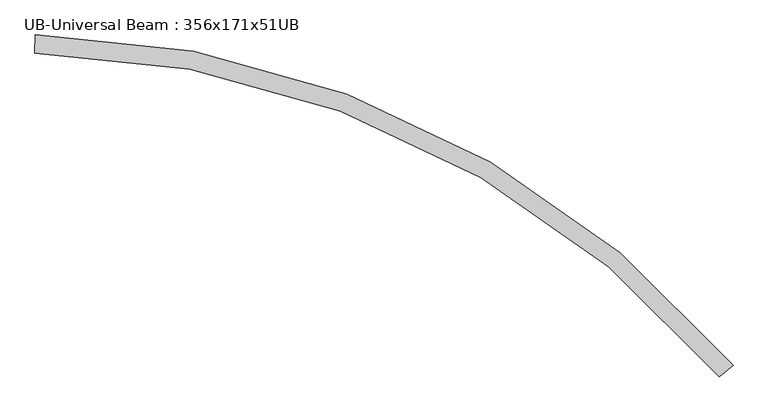
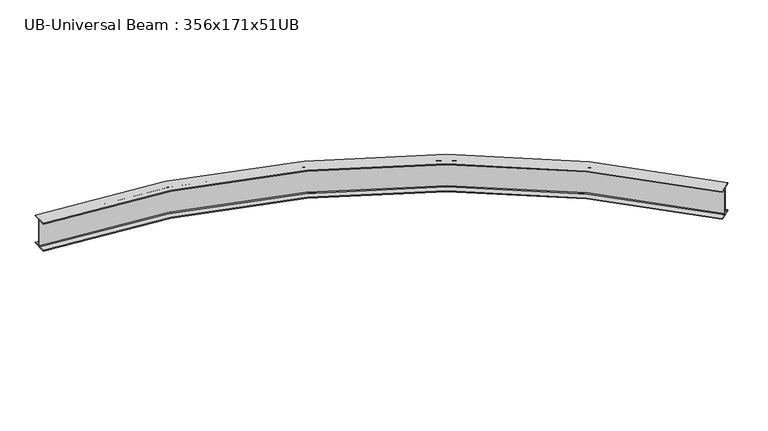
"""IFC4 building model written with IfcOpenShell, lengths in millimetres: beam geometry, UB-Universal Beam : 356x171x51UB."""

from ifc_helpers import new_model, si_unit, point, frame, origin, place, context, project, spatial, polyline, circle_curve, ellipse_curve, trimmed, source, transform, mapped, element, save
from ifc_brep_helpers import plane_surface, cylinder_surface, revolved_surface, advanced_brep


def ub_universal_beam_356x171x51ub_ac64c7a3(model_context):
    return source(origin(), model_context, "Body", "AdvancedBrep", [
        advanced_brep(
        [(6698.4237311, -3014.8858779, -166.0), (6643.6439178, -3061.3788296, -166.0), (6635.8672428, -3067.9790816, -155.8), (6635.8672428, -3067.9790816, 155.8), (6643.6439178, -3061.3788296, 166.0), (6698.4237311, -3014.8858779, 166.0), (6698.4237311, -3014.8858779, 177.5), (6567.6688531, -3125.8607033, 177.5), (6567.6688531, -3125.8607033, 166.0), (6622.4486664, -3079.3677517, 166.0), (6630.2253414, -3072.7674997, 155.8), (6630.2253414, -3072.7674997, -155.8), (6622.4486664, -3079.3677517, -166.0), (6567.6688531, -3125.8607033, -166.0), (6567.6688531, -3125.8607033, -177.5), (6698.4237311, -3014.8858779, -177.5), (156.1140991, 84.3628938, -166.0), (156.1140991, 84.3628938, -177.5), (153.0667135, -87.1100295, -177.5), (153.0667135, -87.1100295, -166.0), (154.343417, -15.2713733, -166.0), (154.5246609, -5.0729837, -155.8), (154.5246609, -5.0729837, 155.8), (154.343417, -15.2713733, 166.0), (153.0667135, -87.1100295, 166.0), (153.0667135, -87.1100295, 177.5), (156.1140991, 84.3628938, 177.5), (156.1140991, 84.3628938, 166.0), (154.8373955, 12.5242376, 166.0), (154.6561516, 2.325848, 155.8), (154.6561516, 2.325848, -155.8), (154.8373955, 12.5242376, -166.0)],
        [
            (0, 1),
            (1, 2, circle_curve(frame((6643.6439178, -3061.3788296, -155.8), z_axis=(-0.6470835298129307, 0.7624191140342941, 0.0), x_axis=(-0.7624191140342941, -0.6470835298129307, 0.0)), 10.2)),
            (2, 3),
            (3, 4, circle_curve(frame((6643.6439178, -3061.3788296, 155.8), z_axis=(-0.6470835298129307, 0.7624191140342941, 0.0), x_axis=(-0.7624191140342941, -0.6470835298129307, 0.0)), 10.2)),
            (4, 5),
            (5, 6),
            (6, 7),
            (7, 8),
            (8, 9),
            (9, 10, circle_curve(frame((6622.4486664, -3079.3677517, 155.8), z_axis=(-0.6470835298129307, 0.7624191140342941, 0.0), x_axis=(-0.7624191140342941, -0.6470835298129307, 0.0)), 10.2)),
            (10, 11),
            (11, 12, circle_curve(frame((6622.4486664, -3079.3677517, -155.8), z_axis=(-0.6470835298129307, 0.7624191140342941, 0.0), x_axis=(-0.7624191140342941, -0.6470835298129307, 0.0)), 10.2)),
            (12, 13),
            (13, 14),
            (14, 15),
            (15, 0),
            (16, 17),
            (17, 18),
            (18, 19),
            (19, 20),
            (20, 21, circle_curve(frame((154.343417, -15.2713733, -155.8), z_axis=(0.9998421186392101, -0.017769012213844415, 0.0), x_axis=(-0.017769012213844415, -0.9998421186392101, 0.0)), 10.2)),
            (21, 22),
            (22, 23, circle_curve(frame((154.343417, -15.2713733, 155.8), z_axis=(0.9998421186392101, -0.017769012213844415, 0.0), x_axis=(-0.017769012213844415, -0.9998421186392101, 0.0)), 10.2)),
            (23, 24),
            (24, 25),
            (25, 26),
            (26, 27),
            (27, 28),
            (28, 29, circle_curve(frame((154.8373955, 12.5242376, 155.8), z_axis=(0.9998421186392101, -0.017769012213844415, 0.0), x_axis=(-0.017769012213844415, -0.9998421186392101, 0.0)), 10.2)),
            (29, 30),
            (30, 31, circle_curve(frame((154.8373955, 12.5242376, -155.8), z_axis=(0.9998421186392101, -0.017769012213844415, 0.0), x_axis=(-0.017769012213844415, -0.9998421186392101, 0.0)), 10.2)),
            (31, 16),
            (0, 16, circle_curve(frame((0.0, -8700.0, -166.0), z_axis=(0.0, 0.0, 1.0), x_axis=(-0.9975028776404807, -0.0706258387487195, 0.0)), 8785.75)),
            (31, 1, circle_curve(frame((0.0, -8700.0, -166.0), z_axis=(0.0, 0.0, -1.0), x_axis=(-0.9975028776404807, -0.0706258387487195, 0.0)), 8713.9)),
            (30, 2, circle_curve(frame((0.0, -8700.0, -155.8), z_axis=(0.0, 0.0, -1.0), x_axis=(-0.9975028776404807, -0.0706258387487195, 0.0)), 8703.7)),
            (29, 3, circle_curve(frame((0.0, -8700.0, 155.8), z_axis=(0.0, 0.0, -1.0), x_axis=(-0.9975028776404807, -0.0706258387487195, 0.0)), 8703.7)),
            (28, 4, circle_curve(frame((0.0, -8700.0, 166.0), z_axis=(0.0, 0.0, -1.0), x_axis=(-0.9975028776404807, -0.0706258387487195, 0.0)), 8713.9)),
            (27, 5, circle_curve(frame((0.0, -8700.0, 166.0), z_axis=(0.0, 0.0, -1.0), x_axis=(-0.9975028776404807, -0.0706258387487195, 0.0)), 8785.75)),
            (26, 6, circle_curve(frame((0.0, -8700.0, 177.5), z_axis=(0.0, 0.0, -1.0), x_axis=(-0.9975028776404807, -0.0706258387487195, 0.0)), 8785.75)),
            (25, 7, circle_curve(frame((0.0, -8700.0, 177.5), z_axis=(0.0, 0.0, -1.0), x_axis=(-0.9975028776404807, -0.0706258387487195, 0.0)), 8614.25)),
            (24, 8, circle_curve(frame((0.0, -8700.0, 166.0), z_axis=(0.0, 0.0, -1.0), x_axis=(-0.9975028776404807, -0.0706258387487195, 0.0)), 8614.25)),
            (23, 9, circle_curve(frame((0.0, -8700.0, 166.0), z_axis=(0.0, 0.0, -1.0), x_axis=(-0.9975028776404807, -0.0706258387487195, 0.0)), 8686.1)),
            (22, 10, circle_curve(frame((0.0, -8700.0, 155.8), z_axis=(0.0, 0.0, -1.0), x_axis=(-0.9975028776404807, -0.0706258387487195, 0.0)), 8696.3)),
            (21, 11, circle_curve(frame((0.0, -8700.0, -155.8), z_axis=(0.0, 0.0, -1.0), x_axis=(-0.9975028776404807, -0.0706258387487195, 0.0)), 8696.3)),
            (20, 12, circle_curve(frame((0.0, -8700.0, -166.0), z_axis=(0.0, 0.0, -1.0), x_axis=(-0.9975028776404807, -0.0706258387487195, 0.0)), 8686.1)),
            (19, 13, circle_curve(frame((0.0, -8700.0, -166.0), z_axis=(0.0, 0.0, -1.0), x_axis=(-0.9975028776404807, -0.0706258387487195, 0.0)), 8614.25)),
            (18, 14, circle_curve(frame((0.0, -8700.0, -177.5), z_axis=(0.0, 0.0, -1.0), x_axis=(-0.9975028776404807, -0.0706258387487195, 0.0)), 8614.25)),
            (17, 15, circle_curve(frame((0.0, -8700.0, -177.5), z_axis=(0.0, 0.0, -1.0), x_axis=(-0.9975028776404807, -0.0706258387487195, 0.0)), 8785.75)),
        ],
        [
            plane_surface(frame((6633.0462921, -3070.3732906, 0.0), z_axis=(0.6470835298129257, -0.7624191140342983, 0.0), x_axis=(0.0, 0.0, 1.0))),
            plane_surface(frame((154.5904063, -1.3735678, 0.0), z_axis=(-0.99984211863921, 0.017769012213851135, 0.0), x_axis=(0.0, 0.0, 1.0))),
            plane_surface(frame((0.0, -8700.0, -166.0), z_axis=(0.0, 0.0, 1.0), x_axis=(-0.9975028776404807, -0.0706258387487195, 0.0))),
            revolved_surface(trimmed(ellipse_curve(frame((-8692.1403255, -9315.4264963, -155.8), z_axis=(-0.07062583874872597, 0.9975028776404803, 0.0), x_axis=(0.9975028776404803, 0.07062583874872597, 0.0)), 10.2, 10.2), [point((-8681.9657961, -9314.7061127, -155.8))], [point((-8692.1403255, -9315.4264963, -166.0))], True, "CARTESIAN"), (0.0, -8700.0, 0.0), (0.0, 0.0, -1.0)),
            cylinder_surface(frame((0.0, -8700.0, 0.0), z_axis=(0.0, 0.0, -1.0), x_axis=(-0.9975028776404807, -0.0706258387487195, 0.0)), 8703.7),
            revolved_surface(trimmed(ellipse_curve(frame((-8692.1403255, -9315.4264963, 155.8), z_axis=(-0.07062583874872597, 0.9975028776404803, 0.0), x_axis=(0.9975028776404803, 0.07062583874872597, 0.0)), 10.2, 10.2), [point((-8692.1403255, -9315.4264963, 166.0))], [point((-8681.9657961, -9314.7061127, 155.8))], True, "CARTESIAN"), (0.0, -8700.0, 0.0), (0.0, 0.0, -1.0)),
            plane_surface(frame((0.0, -8700.0, 166.0), z_axis=(0.0, 0.0, -1.0), x_axis=(-0.9975028776404807, -0.0706258387487195, 0.0))),
            cylinder_surface(frame((0.0, -8700.0, 0.0), z_axis=(0.0, 0.0, -1.0), x_axis=(-0.9975028776404807, -0.0706258387487195, 0.0)), 8785.75),
            plane_surface(frame((0.0, -8700.0, 177.5), z_axis=(0.0, 0.0, 1.0), x_axis=(-0.9975028776404807, -0.0706258387487195, 0.0))),
            revolved_surface(polyline([(-8592.739163714512, -9308.388631441157, 166.0), (-8592.739163714512, -9308.388631441157, 177.5)]), (0.0, -8700.0, 0.0), (0.0, 0.0, -1.0)),
            revolved_surface(trimmed(ellipse_curve(frame((-8664.4097455, -9313.463098, 155.8), z_axis=(-0.07062583874872597, 0.9975028776404803, 0.0), x_axis=(0.9975028776404803, 0.07062583874872597, 0.0)), 10.2, 10.2), [point((-8674.5842748, -9314.1834815, 155.8))], [point((-8664.4097455, -9313.463098, 166.0))], True, "CARTESIAN"), (0.0, -8700.0, 0.0), (0.0, 0.0, -1.0)),
            revolved_surface(polyline([(-8674.584274824912, -9314.183481510488, -155.8), (-8674.584274824912, -9314.183481510488, 155.8)]), (0.0, -8700.0, 0.0), (0.0, 0.0, -1.0)),
            revolved_surface(trimmed(ellipse_curve(frame((-8664.4097455, -9313.463098, -155.8), z_axis=(-0.07062583874872597, 0.9975028776404803, 0.0), x_axis=(0.9975028776404803, 0.07062583874872597, 0.0)), 10.2, 10.2), [point((-8664.4097455, -9313.463098, -166.0))], [point((-8674.5842748, -9314.1834815, -155.8))], True, "CARTESIAN"), (0.0, -8700.0, 0.0), (0.0, 0.0, -1.0)),
            revolved_surface(polyline([(-8592.739163714512, -9308.388631441157, -177.5), (-8592.739163714512, -9308.388631441157, -166.0)]), (0.0, -8700.0, 0.0), (0.0, 0.0, -1.0)),
            plane_surface(frame((0.0, -8700.0, -177.5), z_axis=(0.0, 0.0, -1.0), x_axis=(-0.9975028776404807, -0.0706258387487195, 0.0))),
        ],
        [
            (0, [[1, 2, 3, 4, 5, 6, 7, 8, 9, 10, 11, 12, 13, 14, 15, 16]]),
            (1, [[17, 18, 19, 20, 21, 22, 23, 24, 25, 26, 27, 28, 29, 30, 31, 32]]),
            (2, [[-1, 33, -32, 34]]),
            (3, [[-2, -34, -31, 35]]),
            (4, [[-3, -35, -30, 36]]),
            (5, [[-4, -36, -29, 37]]),
            (6, [[-5, -37, -28, 38]]),
            (7, [[-6, -38, -27, 39]]),
            (8, [[-7, -39, -26, 40]]),
            (9, [[-8, -40, -25, 41]]),
            (6, [[-9, -41, -24, 42]]),
            (10, [[-10, -42, -23, 43]]),
            (11, [[-11, -43, -22, 44]]),
            (12, [[-12, -44, -21, 45]]),
            (2, [[-13, -45, -20, 46]]),
            (13, [[-14, -46, -19, 47]]),
            (14, [[-15, -47, -18, 48]]),
            (7, [[-16, -48, -17, -33]]),
        ],
    ),
    ])


if __name__ == "__main__":
    model = new_model("IFC4")
    model_context = context("Model", 3, world=origin())
    ifc_project = project(units=[si_unit("LENGTHUNIT", "METRE", prefix="MILLI")], contexts=[model_context])
    site = spatial("IfcSite", under=ifc_project)
    building = spatial("IfcBuilding", under=site)
    placement = place(None, origin())
    ub_universal_beam_356x171x51ub_shape = ub_universal_beam_356x171x51ub_ac64c7a3(model_context)
    element("IfcBeam", 1, ObjectType="UB-Universal Beam : 356x171x51UB", at=placement, inside=building, context=model_context, shape_type="MappedRepresentation", body=[
        mapped(ub_universal_beam_356x171x51ub_shape, transform((0.0, 0.0, 0.0), x_axis=(1.0, 0.0, 0.0), y_axis=(0.0, 1.0, 0.0), z_axis=(0.0, 0.0, 1.0))),
    ])
    save(model, "model.ifc")
